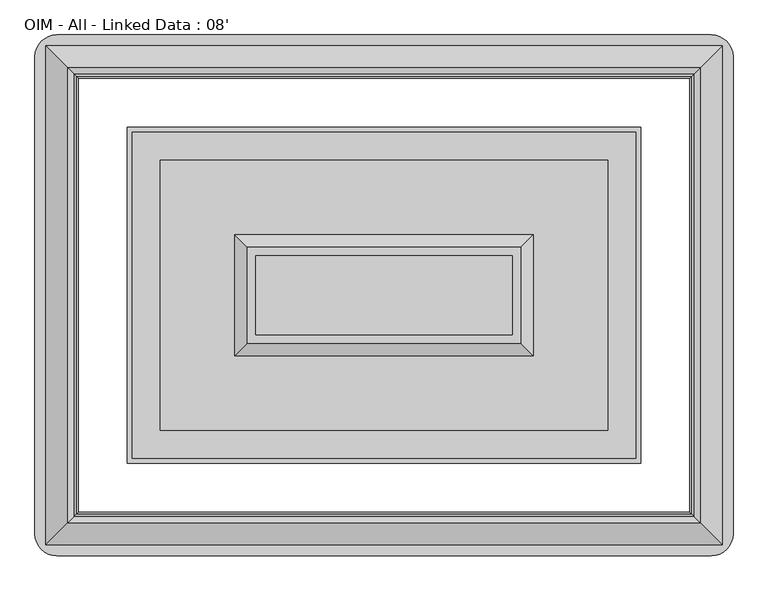
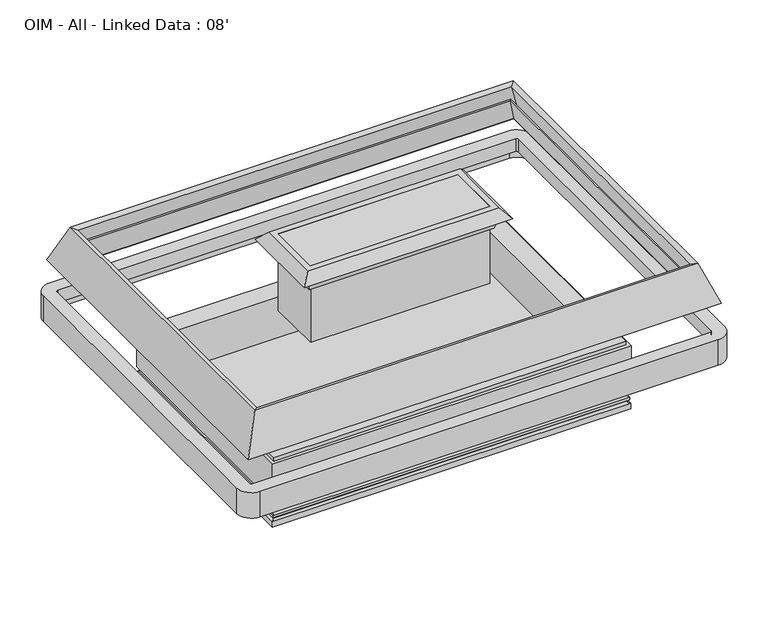
"""IFC4 building model written with IfcOpenShell, lengths in millimetres: proxy geometry, OIM - All - Linked Data : 08'."""

from ifc_helpers import new_model, si_unit, point, frame, frame_2d, origin, origin_with_axes, place, context, project, spatial, polyline, circle_curve, ellipse_curve, trimmed, segment, composite_curve, outline, extrude, faceted_brep, source, transform, mapped, element, save
from ifc_brep_helpers import plane_surface, cylinder_surface, revolved_surface, advanced_brep


def oim_all_linked_data_08_2732d2ef(model_context):
    return source(origin(), model_context, "Body", "SolidModel", [
        extrude(outline(composite_curve([segment(trimmed(circle_curve(frame_2d((2031.20625, -1313.8632439)), 12.7), [point((2018.50625, -1313.8632439))], [point((2043.90625, -1313.8632439))], False, "CARTESIAN"), True, "CONTINUOUS"), segment(trimmed(circle_curve(frame_2d((2031.20625, -1313.8632439)), 12.7), [point((2043.90625, -1313.8632439))], [point((2018.50625, -1313.8632439))], False, "CARTESIAN"), True, "CONTINUOUS")], self_intersect=False)), origin_with_axes(), (0.0, 0.0, 1.0), 101.6),
        extrude(outline(composite_curve([segment(trimmed(circle_curve(frame_2d((2031.20625, -1369.8367134)), 9.525), [point((2021.68125, -1369.8367134))], [point((2040.73125, -1369.8367134))], False, "CARTESIAN"), True, "CONTINUOUS"), segment(trimmed(circle_curve(frame_2d((2031.20625, -1369.8367134)), 9.525), [point((2040.73125, -1369.8367134))], [point((2021.68125, -1369.8367134))], False, "CARTESIAN"), True, "CONTINUOUS")], self_intersect=False)), origin_with_axes(), (0.0, 0.0, 1.0), 101.6),
        extrude(outline(composite_curve([segment(trimmed(circle_curve(frame_2d((1341.4375, -996.2223778)), 38.1), [point((1303.3375, -996.2223778))], [point((1379.5375, -996.2223778))], False, "CARTESIAN"), True, "CONTINUOUS"), segment(trimmed(circle_curve(frame_2d((1341.4375, -996.2223778)), 38.1), [point((1379.5375, -996.2223778))], [point((1303.3375, -996.2223778))], False, "CARTESIAN"), True, "CONTINUOUS")], self_intersect=False)), origin_with_axes(), (0.0, 0.0, 1.0), 101.6),
        extrude(outline(composite_curve([segment(trimmed(circle_curve(frame_2d((1341.4375, -1833.7510429)), 38.1), [point((1379.5375, -1833.7510429))], [point((1303.3375, -1833.7510429))], False, "CARTESIAN"), True, "CONTINUOUS"), segment(trimmed(circle_curve(frame_2d((1341.4375, -1833.7510429)), 38.1), [point((1303.3375, -1833.7510429))], [point((1379.5375, -1833.7510429))], False, "CARTESIAN"), True, "CONTINUOUS")], self_intersect=False)), origin_with_axes(), (0.0, 0.0, 1.0), 101.6),
        extrude(outline(polyline([(920.5432283, -1535.8952268), (1053.8932283, -1535.8952268), (1053.8932283, -1605.7452268), (920.5432283, -1605.7452268), (920.5432283, -1535.8952268)])), frame((0.0, 0.0, 8.2791794), z_axis=(0.0, 0.0, 1.0), x_axis=(1.0, 0.0, 0.0)), (0.0, 0.0, 1.0), 6.35),
        advanced_brep(
        [(2265.1803221, -819.2036052, 146.05), (417.6946779, -819.2036052, 146.05), (417.6946779, -2009.4642494, 146.05), (2265.1803221, -2009.4642494, 146.05), (2265.1803221, -819.2036052, 14.6291794), (2265.1803221, -2009.4642494, 14.6291794), (417.6946779, -2009.4642494, 14.6291794), (417.6946779, -819.2036052, 14.6291794), (1290.6375, -996.2223778, 14.6291794), (1392.2375, -996.2223778, 14.6291794), (1290.6375, -1833.7510429, 14.6291794), (1392.2375, -1833.7510429, 14.6291794), (1980.40625, -1338.1832677, 14.6291794), (2082.00625, -1338.1832677, 14.6291794), (1290.6375, -996.2223778, 101.6), (1392.2375, -996.2223778, 101.6), (1290.6375, -1833.7510429, 101.6), (1392.2375, -1833.7510429, 101.6), (1980.40625, -1338.1832677, 101.6), (2082.00625, -1338.1832677, 101.6)],
        [
            (0, 1),
            (1, 2),
            (2, 3),
            (3, 0),
            (4, 5),
            (5, 6),
            (6, 7),
            (7, 4),
            (8, 9, circle_curve(frame((1341.4375, -996.2223778, 14.6291794), z_axis=(0.0, 0.0, 1.0), x_axis=(1.0, 0.0, 0.0)), 50.8)),
            (9, 8, circle_curve(frame((1341.4375, -996.2223778, 14.6291794), z_axis=(0.0, 0.0, 1.0), x_axis=(1.0, 0.0, 0.0)), 50.8)),
            (10, 11, circle_curve(frame((1341.4375, -1833.7510429, 14.6291794), z_axis=(0.0, 0.0, 1.0), x_axis=(1.0, 0.0, 0.0)), 50.8)),
            (11, 10, circle_curve(frame((1341.4375, -1833.7510429, 14.6291794), z_axis=(0.0, 0.0, 1.0), x_axis=(1.0, 0.0, 0.0)), 50.8)),
            (12, 13, circle_curve(frame((2031.20625, -1338.1832677, 14.6291794), z_axis=(0.0, 0.0, 1.0), x_axis=(1.0, 0.0, 0.0)), 50.8)),
            (13, 12, circle_curve(frame((2031.20625, -1338.1832677, 14.6291794), z_axis=(0.0, 0.0, 1.0), x_axis=(1.0, 0.0, 0.0)), 50.8)),
            (0, 4),
            (7, 1),
            (6, 2),
            (5, 3),
            (14, 15, circle_curve(frame((1341.4375, -996.2223778, 101.6), z_axis=(0.0, 0.0, -1.0), x_axis=(1.0, 0.0, 0.0)), 50.8)),
            (15, 14, circle_curve(frame((1341.4375, -996.2223778, 101.6), z_axis=(0.0, 0.0, -1.0), x_axis=(1.0, 0.0, 0.0)), 50.8)),
            (16, 17, circle_curve(frame((1341.4375, -1833.7510429, 101.6), z_axis=(0.0, 0.0, -1.0), x_axis=(1.0, 0.0, 0.0)), 50.8)),
            (17, 16, circle_curve(frame((1341.4375, -1833.7510429, 101.6), z_axis=(0.0, 0.0, -1.0), x_axis=(1.0, 0.0, 0.0)), 50.8)),
            (15, 9),
            (8, 14),
            (17, 11),
            (10, 16),
            (18, 19, circle_curve(frame((2031.20625, -1338.1832677, 101.6), z_axis=(0.0, 0.0, -1.0), x_axis=(1.0, 0.0, 0.0)), 50.8)),
            (19, 18, circle_curve(frame((2031.20625, -1338.1832677, 101.6), z_axis=(0.0, 0.0, -1.0), x_axis=(1.0, 0.0, 0.0)), 50.8)),
            (19, 13),
            (12, 18),
        ],
        [
            plane_surface(frame((417.6946779, -819.2036052, 146.05), z_axis=(0.0, 0.0, 1.0), x_axis=(-1.0, 0.0, 0.0))),
            plane_surface(frame((417.6946779, -819.2036052, 14.6291794), z_axis=(0.0, 0.0, -1.0), x_axis=(1.0, 0.0, 0.0))),
            plane_surface(frame((2265.1803221, -819.2036052, 146.05), z_axis=(0.0, 1.0, 0.0), x_axis=(0.0, 0.0, -1.0))),
            plane_surface(frame((417.6946779, -819.2036052, 146.05), z_axis=(-1.0, 0.0, 0.0), x_axis=(0.0, 0.0, -1.0))),
            plane_surface(frame((417.6946779, -2009.4642494, 146.05), z_axis=(0.0, -1.0, 0.0), x_axis=(0.0, 0.0, -1.0))),
            plane_surface(frame((2265.1803221, -2009.4642494, 146.05), z_axis=(1.0, 0.0, 0.0), x_axis=(0.0, 0.0, -1.0))),
            plane_surface(frame((1392.2375, -996.2223778, 101.6), z_axis=(0.0, 0.0, -1.0), x_axis=(0.0, 1.0, 0.0))),
            revolved_surface(polyline([(1392.2375, -996.2223778, 101.6), (1392.2375, -996.2223778, 14.6291794)]), (1341.4375, -996.2223778, 0.0), (0.0, 0.0, 1.0)),
            revolved_surface(polyline([(1392.2375, -1833.7510429, 101.6), (1392.2375, -1833.7510429, 14.6291794)]), (1341.4375, -1833.7510429, 0.0), (0.0, 0.0, 1.0)),
            plane_surface(frame((2082.00625, -1338.1832677, 101.6), z_axis=(0.0, 0.0, -1.0), x_axis=(0.0, 1.0, 0.0))),
            revolved_surface(polyline([(2082.00625, -1338.1832677, 101.6), (2082.00625, -1338.1832677, 14.6291794)]), (2031.20625, -1338.1832677, 0.0), (0.0, 0.0, 1.0)),
        ],
        [
            (0, [[1, 2, 3, 4]]),
            (1, [[5, 6, 7, 8], [9, 10], [11, 12], [13, 14]]),
            (2, [[-1, 15, -8, 16]]),
            (3, [[-2, -16, -7, 17]]),
            (4, [[-3, -17, -6, 18]]),
            (5, [[-4, -18, -5, -15]]),
            (6, [[19, 20]]),
            (6, [[21, 22]]),
            (7, [[-20, 23, -9, 24]]),
            (7, [[-19, -24, -10, -23]]),
            (8, [[-22, 25, -11, 26]]),
            (8, [[-21, -26, -12, -25]]),
            (9, [[27, 28]]),
            (10, [[-28, 29, -13, 30]]),
            (10, [[-27, -30, -14, -29]]),
        ],
    ),
        advanced_brep(
        [(407.5864212, -2019.5725061, 52.2515752), (404.0973241, -2023.0616032, 41.0863151), (2278.7776759, -2023.0616032, 41.0863151), (2275.2885788, -2019.5725061, 52.2515752), (2285.9257741, -2030.2097014, 50.0937524), (396.9492259, -2030.2097014, 50.0937524), (394.9553259, -2032.2036014, 62.7937524), (394.9553259, -2032.2036014, 50.0937524), (2287.9196741, -2032.2036014, 50.0937524), (2287.9196741, -2032.2036014, 62.7937524), (2278.7776759, -2023.0616032, 72.0584982), (404.0973241, -2023.0616032, 72.0584982), (2275.2885788, -2019.5725061, 83.2237583), (407.5864212, -2019.5725061, 83.2237583), (2285.9257741, -2030.2097014, 81.0659355), (396.9492259, -2030.2097014, 81.0659355), (394.9553259, -2032.2036014, 93.7659355), (394.9553259, -2032.2036014, 81.0659355), (2287.9196741, -2032.2036014, 81.0659355), (2287.9196741, -2032.2036014, 93.7659355), (2278.7776759, -2023.0616032, 103.0306813), (404.0973241, -2023.0616032, 103.0306813), (2275.2885788, -2019.5725061, 114.0694894), (407.5864212, -2019.5725061, 114.0694894), (2285.9257741, -2030.2097014, 112.0383055), (396.9492259, -2030.2097014, 112.0383055), (394.9553259, -2032.2036014, 124.7383055), (394.9553259, -2032.2036014, 112.0383055), (2287.9196741, -2032.2036014, 112.0383055), (2287.9196741, -2032.2036014, 124.7383055), (2275.2885788, -2019.5725061, 137.4381186), (407.5864212, -2019.5725061, 137.4381186), (2275.2885788, -2019.5725061, 146.05), (407.5864212, -2019.5725061, 146.05), (417.6946779, -2009.4642494, 0.0), (417.6946779, -2009.4642494, 146.05), (2265.1803221, -2009.4642494, 146.05), (2265.1803221, -2009.4642494, 0.0), (392.0670212, -2035.0919061, 31.4790022), (392.0670212, -2035.0919061, 0.0), (2290.8079788, -2035.0919061, 0.0), (2290.8079788, -2035.0919061, 31.4790022), (2278.7776759, -805.6062514, 41.0863151), (2275.2885788, -809.0953485, 52.2515752), (2285.9257741, -798.4581532, 50.0937524), (2287.9196741, -796.4642532, 50.0937524), (2287.9196741, -796.4642532, 62.7937524), (2278.7776759, -805.6062514, 72.0584982), (2275.2885788, -809.0953485, 83.2237583), (2285.9257741, -798.4581532, 81.0659355), (2287.9196741, -796.4642532, 81.0659355), (2287.9196741, -796.4642532, 93.7659355), (2278.7776759, -805.6062514, 103.0306813), (2275.2885788, -809.0953485, 114.0694894), (2285.9257741, -798.4581532, 112.0383055), (2287.9196741, -796.4642532, 112.0383055), (2287.9196741, -796.4642532, 124.7383055), (2275.2885788, -809.0953485, 137.4381186), (2275.2885788, -809.0953485, 146.05), (2265.1803221, -819.2036052, 146.05), (2265.1803221, -819.2036052, 0.0), (2290.8079788, -793.5759485, 0.0), (2290.8079788, -793.5759485, 31.4790022), (404.0973241, -805.6062514, 41.0863151), (407.5864212, -809.0953485, 52.2515752), (396.9492259, -798.4581532, 50.0937524), (394.9553259, -796.4642532, 50.0937524), (394.9553259, -796.4642532, 62.7937524), (404.0973241, -805.6062514, 72.0584982), (407.5864212, -809.0953485, 83.2237583), (396.9492259, -798.4581532, 81.0659355), (394.9553259, -796.4642532, 81.0659355), (394.9553259, -796.4642532, 93.7659355), (404.0973241, -805.6062514, 103.0306813), (407.5864212, -809.0953485, 114.0694894), (396.9492259, -798.4581532, 112.0383055), (394.9553259, -796.4642532, 112.0383055), (394.9553259, -796.4642532, 124.7383055), (407.5864212, -809.0953485, 137.4381186), (407.5864212, -809.0953485, 146.05), (417.6946779, -819.2036052, 146.05), (417.6946779, -819.2036052, 0.0), (392.0670212, -793.5759485, 0.0), (392.0670212, -793.5759485, 31.4790022)],
        [
            (0, 1),
            (1, 2),
            (2, 3),
            (3, 0),
            (3, 4),
            (4, 5),
            (5, 0),
            (6, 7),
            (7, 8),
            (8, 9),
            (9, 6),
            (9, 10, ellipse_curve(frame((2291.1115131, -2035.3954404, 75.0861144), z_axis=(0.7071067811865475, 0.7071067811865475, 0.0), x_axis=(0.7071067811865476, -0.7071067811865474, 0.0)), 17.9605122, 12.7)),
            (10, 11),
            (11, 6, ellipse_curve(frame((391.7634869, -2035.3954404, 75.0861144), z_axis=(-0.7071067811865475, 0.7071067811865475, 0.0), x_axis=(0.7071067811865476, 0.7071067811865474, 0.0)), 17.9605122, 12.7)),
            (10, 12),
            (12, 13),
            (13, 11),
            (12, 14),
            (14, 15),
            (15, 13),
            (16, 17),
            (17, 18),
            (18, 19),
            (19, 16),
            (19, 20, ellipse_curve(frame((2291.1115131, -2035.3954404, 106.0582975), z_axis=(0.7071067811865475, 0.7071067811865475, 0.0), x_axis=(0.7071067811865476, -0.7071067811865474, 0.0)), 17.9605122, 12.7)),
            (20, 21),
            (21, 16, ellipse_curve(frame((391.7634869, -2035.3954404, 106.0582975), z_axis=(-0.7071067811865475, 0.7071067811865475, 0.0), x_axis=(0.7071067811865476, 0.7071067811865474, 0.0)), 17.9605122, 12.7)),
            (20, 22),
            (22, 23),
            (23, 21),
            (22, 24),
            (24, 25),
            (25, 23),
            (26, 27),
            (27, 28),
            (28, 29),
            (29, 26),
            (29, 30, ellipse_curve(frame((2287.9885788, -2032.2725061, 137.4381186), z_axis=(0.7071067811865475, 0.7071067811865475, 0.0), x_axis=(0.7071067811865476, -0.7071067811865474, 0.0)), 17.9605122, 12.7)),
            (30, 31),
            (31, 26, ellipse_curve(frame((394.8864212, -2032.2725061, 137.4381186), z_axis=(-0.7071067811865475, 0.7071067811865475, 0.0), x_axis=(0.7071067811865476, 0.7071067811865474, 0.0)), 17.9605122, 12.7)),
            (30, 32),
            (32, 33),
            (33, 31),
            (34, 35),
            (35, 36),
            (36, 37),
            (37, 34),
            (38, 39),
            (39, 40),
            (40, 41),
            (41, 38),
            (1, 38, ellipse_curve(frame((393.1207685, -2034.0381588, 42.4953422), z_axis=(-0.7071067811865475, 0.7071067811865475, 0.0), x_axis=(0.7071067811865476, 0.7071067811865474, 0.0)), 15.6505674, 11.0666223)),
            (41, 2, ellipse_curve(frame((2289.7542315, -2034.0381588, 42.4953422), z_axis=(0.7071067811865475, 0.7071067811865475, 0.0), x_axis=(0.7071067811865476, -0.7071067811865474, 0.0)), 15.6505674, 11.0666223)),
            (2, 42),
            (42, 43),
            (43, 3),
            (43, 44),
            (44, 4),
            (8, 45),
            (45, 46),
            (46, 9),
            (46, 47, ellipse_curve(frame((2291.1115131, -793.2724142, 75.0861144), z_axis=(-0.7071067811865475, 0.7071067811865475, 0.0), x_axis=(0.7071067811865474, 0.7071067811865476, 0.0)), 17.9605122, 12.7)),
            (47, 10),
            (47, 48),
            (48, 12),
            (48, 49),
            (49, 14),
            (18, 50),
            (50, 51),
            (51, 19),
            (51, 52, ellipse_curve(frame((2291.1115131, -793.2724142, 106.0582975), z_axis=(-0.7071067811865475, 0.7071067811865475, 0.0), x_axis=(0.7071067811865474, 0.7071067811865476, 0.0)), 17.9605122, 12.7)),
            (52, 20),
            (52, 53),
            (53, 22),
            (53, 54),
            (54, 24),
            (28, 55),
            (55, 56),
            (56, 29),
            (56, 57, ellipse_curve(frame((2287.9885788, -796.3953485, 137.4381186), z_axis=(-0.7071067811865475, 0.7071067811865475, 0.0), x_axis=(0.7071067811865474, 0.7071067811865476, 0.0)), 17.9605122, 12.7)),
            (57, 30),
            (57, 58),
            (58, 32),
            (36, 59),
            (59, 60),
            (60, 37),
            (40, 61),
            (61, 62),
            (62, 41),
            (62, 42, ellipse_curve(frame((2289.7542315, -794.6296958, 42.4953422), z_axis=(-0.7071067811865475, 0.7071067811865475, 0.0), x_axis=(0.7071067811865474, 0.7071067811865476, 0.0)), 15.6505674, 11.0666223)),
            (42, 63),
            (63, 64),
            (64, 43),
            (64, 65),
            (65, 44),
            (45, 66),
            (66, 67),
            (67, 46),
            (67, 68, ellipse_curve(frame((391.7634869, -793.2724142, 75.0861144), z_axis=(-0.7071067811865475, -0.7071067811865475, 0.0), x_axis=(-0.7071067811865476, 0.7071067811865474, 0.0)), 17.9605122, 12.7)),
            (68, 47),
            (68, 69),
            (69, 48),
            (69, 70),
            (70, 49),
            (50, 71),
            (71, 72),
            (72, 51),
            (72, 73, ellipse_curve(frame((391.7634869, -793.2724142, 106.0582975), z_axis=(-0.7071067811865475, -0.7071067811865475, 0.0), x_axis=(-0.7071067811865476, 0.7071067811865474, 0.0)), 17.9605122, 12.7)),
            (73, 52),
            (73, 74),
            (74, 53),
            (74, 75),
            (75, 54),
            (55, 76),
            (76, 77),
            (77, 56),
            (77, 78, ellipse_curve(frame((394.8864212, -796.3953485, 137.4381186), z_axis=(-0.7071067811865475, -0.7071067811865475, 0.0), x_axis=(-0.7071067811865476, 0.7071067811865474, 0.0)), 17.9605122, 12.7)),
            (78, 57),
            (78, 79),
            (79, 58),
            (59, 80),
            (80, 81),
            (81, 60),
            (61, 82),
            (82, 83),
            (83, 62),
            (83, 63, ellipse_curve(frame((393.1207685, -794.6296958, 42.4953422), z_axis=(-0.7071067811865475, -0.7071067811865475, 0.0), x_axis=(-0.7071067811865476, 0.7071067811865474, 0.0)), 15.6505674, 11.0666223)),
            (0, 64),
            (63, 1),
            (5, 65),
            (7, 66),
            (6, 67),
            (11, 68),
            (13, 69),
            (15, 70),
            (17, 71),
            (16, 72),
            (21, 73),
            (23, 74),
            (25, 75),
            (27, 76),
            (26, 77),
            (31, 78),
            (33, 79),
            (35, 80),
            (34, 81),
            (39, 82),
            (38, 83),
        ],
        [
            plane_surface(frame((404.0973241, -2023.0616032, 41.0863151), z_axis=(0.0, -0.9544811145040373, 0.2982713564107874), x_axis=(1.0, 0.0, 0.0))),
            plane_surface(frame((407.5864212, -2019.5725061, 52.2515752), z_axis=(0.0, 0.19880707887698196, -0.9800386448443763), x_axis=(1.0, 0.0, 0.0))),
            plane_surface(frame((394.9553259, -2032.2036014, 50.0937524), z_axis=(0.0, -1.0, 0.0), x_axis=(1.0, 0.0, 0.0))),
            revolved_surface(polyline([(2303.811513070204, -2022.6954404, 75.0861144), (379.0634869297963, -2022.6954404, 75.0861144)]), (0.0, -2035.3954404, 75.0861144), (1.0, 0.0, 0.0)),
            plane_surface(frame((404.0973241, -2023.0616032, 72.0584982), z_axis=(0.0, -0.9544811145041052, 0.2982713564105698), x_axis=(1.0, 0.0, 0.0))),
            plane_surface(frame((407.5864212, -2019.5725061, 83.2237583), z_axis=(0.0, 0.1988070788769928, -0.9800386448443741), x_axis=(1.0, 0.0, 0.0))),
            plane_surface(frame((394.9553259, -2032.2036014, 81.0659355), z_axis=(0.0, -1.0, 0.0), x_axis=(1.0, 0.0, 0.0))),
            revolved_surface(polyline([(2303.811513070204, -2022.6954404, 106.0582975), (379.0634869297963, -2022.6954404, 106.0582975)]), (0.0, -2035.3954404, 106.0582975), (1.0, 0.0, 0.0)),
            plane_surface(frame((404.0973241, -2023.0616032, 103.0306813), z_axis=(0.0, -0.9535043111328932, 0.30137937661855163), x_axis=(1.0, 0.0, 0.0))),
            plane_surface(frame((407.5864212, -2019.5725061, 114.0694894), z_axis=(0.0, 0.1875622155180167, -0.9822527247658686), x_axis=(1.0, 0.0, 0.0))),
            plane_surface(frame((394.9553259, -2032.2036014, 112.0383055), z_axis=(0.0, -1.0, 0.0), x_axis=(1.0, 0.0, 0.0))),
            revolved_surface(polyline([(2300.688578770204, -2019.5725061, 137.4381186), (382.1864212297963, -2019.5725061, 137.4381186)]), (0.0, -2032.2725061, 137.4381186), (1.0, 0.0, 0.0)),
            plane_surface(frame((407.5864212, -2019.5725061, 137.4381186), z_axis=(0.0, -1.0, 0.0), x_axis=(1.0, 0.0, 0.0))),
            plane_surface(frame((417.6946779, -2009.4642494, 146.05), z_axis=(0.0, 1.0, 0.0), x_axis=(1.0, 0.0, 0.0))),
            plane_surface(frame((392.0670212, -2035.0919061, 0.0), z_axis=(0.0, -1.0, 0.0), x_axis=(1.0, 0.0, 0.0))),
            revolved_surface(polyline([(2300.820853837957, -2022.9715365, 42.4953422), (382.05414616204285, -2022.9715365, 42.4953422)]), (0.0, -2034.0381588, 42.4953422), (1.0, 0.0, 0.0)),
            plane_surface(frame((2278.7776759, -2023.0616032, 41.0863151), z_axis=(0.9544811145040373, 0.0, 0.2982713564107874), x_axis=(0.0, 1.0, 0.0))),
            plane_surface(frame((2275.2885788, -2019.5725061, 52.2515752), z_axis=(-0.19880707887698196, 0.0, -0.9800386448443763), x_axis=(0.0, 1.0, 0.0))),
            plane_surface(frame((2287.9196741, -2032.2036014, 50.0937524), z_axis=(1.0, 0.0, 0.0), x_axis=(0.0, 1.0, 0.0))),
            revolved_surface(polyline([(2278.4115131000003, -780.5724142297963, 75.0861144), (2278.4115131000003, -2048.095440370204, 75.0861144)]), (2291.1115131, -2427.1589273, 75.0861144), (0.0, 1.0, 0.0)),
            plane_surface(frame((2278.7776759, -2023.0616032, 72.0584982), z_axis=(0.9544811145041052, 0.0, 0.2982713564105698), x_axis=(0.0, 1.0, 0.0))),
            plane_surface(frame((2275.2885788, -2019.5725061, 83.2237583), z_axis=(-0.1988070788769928, 0.0, -0.9800386448443741), x_axis=(0.0, 1.0, 0.0))),
            plane_surface(frame((2287.9196741, -2032.2036014, 81.0659355), z_axis=(1.0, 0.0, 0.0), x_axis=(0.0, 1.0, 0.0))),
            revolved_surface(polyline([(2278.4115131000003, -780.5724142297963, 106.0582975), (2278.4115131000003, -2048.095440370204, 106.0582975)]), (2291.1115131, -2427.1589273, 106.0582975), (0.0, 1.0, 0.0)),
            plane_surface(frame((2278.7776759, -2023.0616032, 103.0306813), z_axis=(0.9535043111328932, 0.0, 0.30137937661855163), x_axis=(0.0, 1.0, 0.0))),
            plane_surface(frame((2275.2885788, -2019.5725061, 114.0694894), z_axis=(-0.1875622155180167, 0.0, -0.9822527247658686), x_axis=(0.0, 1.0, 0.0))),
            plane_surface(frame((2287.9196741, -2032.2036014, 112.0383055), z_axis=(1.0, 0.0, 0.0), x_axis=(0.0, 1.0, 0.0))),
            revolved_surface(polyline([(2275.2885788000003, -783.6953485297963, 137.4381186), (2275.2885788000003, -2044.9725060702037, 137.4381186)]), (2287.9885788, -2427.1589273, 137.4381186), (0.0, 1.0, 0.0)),
            plane_surface(frame((2275.2885788, -2019.5725061, 137.4381186), z_axis=(1.0, 0.0, 0.0), x_axis=(0.0, 1.0, 0.0))),
            plane_surface(frame((2265.1803221, -2009.4642494, 146.05), z_axis=(-1.0, 0.0, 0.0), x_axis=(0.0, 1.0, 0.0))),
            plane_surface(frame((2290.8079788, -2035.0919061, 0.0), z_axis=(1.0, 0.0, 0.0), x_axis=(0.0, 1.0, 0.0))),
            revolved_surface(polyline([(2278.6876092, -783.5630734620429, 42.4953422), (2278.6876092, -2045.1047811379572, 42.4953422)]), (2289.7542315, -2427.1589273, 42.4953422), (0.0, 1.0, 0.0)),
            plane_surface(frame((2278.7776759, -805.6062514, 41.0863151), z_axis=(0.0, 0.9544811145040373, 0.2982713564107874), x_axis=(-1.0, 0.0, 0.0))),
            plane_surface(frame((2275.2885788, -809.0953485, 52.2515752), z_axis=(0.0, -0.19880707887698196, -0.9800386448443763), x_axis=(-1.0, 0.0, 0.0))),
            plane_surface(frame((2287.9196741, -796.4642532, 50.0937524), z_axis=(0.0, 1.0, 0.0), x_axis=(-1.0, 0.0, 0.0))),
            revolved_surface(polyline([(379.063486929796, -805.9724142, 75.0861144), (2303.811513070204, -805.9724142, 75.0861144)]), (2682.875, -793.2724142, 75.0861144), (-1.0, 0.0, 0.0)),
            plane_surface(frame((2278.7776759, -805.6062514, 72.0584982), z_axis=(0.0, 0.9544811145041052, 0.2982713564105698), x_axis=(-1.0, 0.0, 0.0))),
            plane_surface(frame((2275.2885788, -809.0953485, 83.2237583), z_axis=(0.0, -0.1988070788769928, -0.9800386448443741), x_axis=(-1.0, 0.0, 0.0))),
            plane_surface(frame((2287.9196741, -796.4642532, 81.0659355), z_axis=(0.0, 1.0, 0.0), x_axis=(-1.0, 0.0, 0.0))),
            revolved_surface(polyline([(379.063486929796, -805.9724142, 106.0582975), (2303.811513070204, -805.9724142, 106.0582975)]), (2682.875, -793.2724142, 106.0582975), (-1.0, 0.0, 0.0)),
            plane_surface(frame((2278.7776759, -805.6062514, 103.0306813), z_axis=(0.0, 0.9535043111328932, 0.30137937661855163), x_axis=(-1.0, 0.0, 0.0))),
            plane_surface(frame((2275.2885788, -809.0953485, 114.0694894), z_axis=(0.0, -0.1875622155180167, -0.9822527247658686), x_axis=(-1.0, 0.0, 0.0))),
            plane_surface(frame((2287.9196741, -796.4642532, 112.0383055), z_axis=(0.0, 1.0, 0.0), x_axis=(-1.0, 0.0, 0.0))),
            revolved_surface(polyline([(382.186421229796, -809.0953485, 137.4381186), (2300.688578770204, -809.0953485, 137.4381186)]), (2682.875, -796.3953485, 137.4381186), (-1.0, 0.0, 0.0)),
            plane_surface(frame((2275.2885788, -809.0953485, 137.4381186), z_axis=(0.0, 1.0, 0.0), x_axis=(-1.0, 0.0, 0.0))),
            plane_surface(frame((2265.1803221, -819.2036052, 146.05), z_axis=(0.0, -1.0, 0.0), x_axis=(-1.0, 0.0, 0.0))),
            plane_surface(frame((2290.8079788, -793.5759485, 0.0), z_axis=(0.0, 1.0, 0.0), x_axis=(-1.0, 0.0, 0.0))),
            revolved_surface(polyline([(382.0541461620428, -805.6963181, 42.4953422), (2300.820853837957, -805.6963181, 42.4953422)]), (2682.875, -794.6296958, 42.4953422), (-1.0, 0.0, 0.0)),
            plane_surface(frame((404.0973241, -805.6062514, 41.0863151), z_axis=(-0.9544811145040373, 0.0, 0.2982713564107874), x_axis=(0.0, -1.0, 0.0))),
            plane_surface(frame((407.5864212, -809.0953485, 52.2515752), z_axis=(0.19880707887698196, 0.0, -0.9800386448443763), x_axis=(0.0, -1.0, 0.0))),
            plane_surface(frame((396.9492259, -798.4581532, 50.0937524), z_axis=(0.0, 0.0, -1.0), x_axis=(0.0, -1.0, 0.0))),
            plane_surface(frame((394.9553259, -796.4642532, 50.0937524), z_axis=(-1.0, 0.0, 0.0), x_axis=(0.0, -1.0, 0.0))),
            revolved_surface(polyline([(404.46348689999996, -2048.095440370204, 75.0861144), (404.46348689999996, -780.5724142297963, 75.0861144)]), (391.7634869, -401.5089273, 75.0861144), (0.0, -1.0, 0.0)),
            plane_surface(frame((404.0973241, -805.6062514, 72.0584982), z_axis=(-0.9544811145041052, 0.0, 0.2982713564105698), x_axis=(0.0, -1.0, 0.0))),
            plane_surface(frame((407.5864212, -809.0953485, 83.2237583), z_axis=(0.1988070788769928, 0.0, -0.9800386448443741), x_axis=(0.0, -1.0, 0.0))),
            plane_surface(frame((396.9492259, -798.4581532, 81.0659355), z_axis=(0.0, 0.0, -1.0), x_axis=(0.0, -1.0, 0.0))),
            plane_surface(frame((394.9553259, -796.4642532, 81.0659355), z_axis=(-1.0, 0.0, 0.0), x_axis=(0.0, -1.0, 0.0))),
            revolved_surface(polyline([(404.46348689999996, -2048.095440370204, 106.0582975), (404.46348689999996, -780.5724142297963, 106.0582975)]), (391.7634869, -401.5089273, 106.0582975), (0.0, -1.0, 0.0)),
            plane_surface(frame((404.0973241, -805.6062514, 103.0306813), z_axis=(-0.9535043111328932, 0.0, 0.30137937661855163), x_axis=(0.0, -1.0, 0.0))),
            plane_surface(frame((407.5864212, -809.0953485, 114.0694894), z_axis=(0.1875622155180167, 0.0, -0.9822527247658686), x_axis=(0.0, -1.0, 0.0))),
            plane_surface(frame((396.9492259, -798.4581532, 112.0383055), z_axis=(0.0, 0.0, -1.0), x_axis=(0.0, -1.0, 0.0))),
            plane_surface(frame((394.9553259, -796.4642532, 112.0383055), z_axis=(-1.0, 0.0, 0.0), x_axis=(0.0, -1.0, 0.0))),
            revolved_surface(polyline([(407.58642119999996, -2044.972506070204, 137.4381186), (407.58642119999996, -783.6953485297963, 137.4381186)]), (394.8864212, -401.5089273, 137.4381186), (0.0, -1.0, 0.0)),
            plane_surface(frame((407.5864212, -809.0953485, 137.4381186), z_axis=(-1.0, 0.0, 0.0), x_axis=(0.0, -1.0, 0.0))),
            plane_surface(frame((407.5864212, -809.0953485, 146.05), z_axis=(0.0, 0.0, 1.0), x_axis=(0.0, -1.0, 0.0))),
            plane_surface(frame((417.6946779, -819.2036052, 146.05), z_axis=(1.0, 0.0, 0.0), x_axis=(0.0, -1.0, 0.0))),
            plane_surface(frame((417.6946779, -819.2036052, 0.0), z_axis=(0.0, 0.0, -1.0), x_axis=(0.0, -1.0, 0.0))),
            plane_surface(frame((392.0670212, -793.5759485, 0.0), z_axis=(-1.0, 0.0, 0.0), x_axis=(0.0, -1.0, 0.0))),
            revolved_surface(polyline([(404.1873908, -2045.1047811379572, 42.4953422), (404.1873908, -783.5630734620429, 42.4953422)]), (393.1207685, -401.5089273, 42.4953422), (0.0, -1.0, 0.0)),
        ],
        [
            (0, [[1, 2, 3, 4]]),
            (1, [[-4, 5, 6, 7]]),
            (2, [[8, 9, 10, 11]]),
            (3, [[-11, 12, 13, 14]]),
            (4, [[-13, 15, 16, 17]]),
            (5, [[-16, 18, 19, 20]]),
            (6, [[21, 22, 23, 24]]),
            (7, [[-24, 25, 26, 27]]),
            (8, [[-26, 28, 29, 30]]),
            (9, [[-29, 31, 32, 33]]),
            (10, [[34, 35, 36, 37]]),
            (11, [[-37, 38, 39, 40]]),
            (12, [[-39, 41, 42, 43]]),
            (13, [[44, 45, 46, 47]]),
            (14, [[48, 49, 50, 51]]),
            (15, [[-2, 52, -51, 53]]),
            (16, [[-3, 54, 55, 56]]),
            (17, [[-5, -56, 57, 58]]),
            (18, [[-10, 59, 60, 61]]),
            (19, [[-12, -61, 62, 63]]),
            (20, [[-15, -63, 64, 65]]),
            (21, [[-18, -65, 66, 67]]),
            (22, [[-23, 68, 69, 70]]),
            (23, [[-25, -70, 71, 72]]),
            (24, [[-28, -72, 73, 74]]),
            (25, [[-31, -74, 75, 76]]),
            (26, [[-36, 77, 78, 79]]),
            (27, [[-38, -79, 80, 81]]),
            (28, [[-41, -81, 82, 83]]),
            (29, [[-46, 84, 85, 86]]),
            (30, [[-50, 87, 88, 89]]),
            (31, [[-53, -89, 90, -54]]),
            (32, [[-55, 91, 92, 93]]),
            (33, [[-57, -93, 94, 95]]),
            (34, [[-60, 96, 97, 98]]),
            (35, [[-62, -98, 99, 100]]),
            (36, [[-64, -100, 101, 102]]),
            (37, [[-66, -102, 103, 104]]),
            (38, [[-69, 105, 106, 107]]),
            (39, [[-71, -107, 108, 109]]),
            (40, [[-73, -109, 110, 111]]),
            (41, [[-75, -111, 112, 113]]),
            (42, [[-78, 114, 115, 116]]),
            (43, [[-80, -116, 117, 118]]),
            (44, [[-82, -118, 119, 120]]),
            (45, [[-85, 121, 122, 123]]),
            (46, [[-88, 124, 125, 126]]),
            (47, [[-90, -126, 127, -91]]),
            (48, [[-1, 128, -92, 129]]),
            (49, [[-7, 130, -94, -128]]),
            (50, [[-9, 131, -96, -59], [-6, -58, -95, -130]]),
            (51, [[-8, 132, -97, -131]]),
            (52, [[-14, 133, -99, -132]]),
            (53, [[-17, 134, -101, -133]]),
            (54, [[-20, 135, -103, -134]]),
            (55, [[-22, 136, -105, -68], [-19, -67, -104, -135]]),
            (56, [[-21, 137, -106, -136]]),
            (57, [[-27, 138, -108, -137]]),
            (58, [[-30, 139, -110, -138]]),
            (59, [[-33, 140, -112, -139]]),
            (60, [[-35, 141, -114, -77], [-32, -76, -113, -140]]),
            (61, [[-34, 142, -115, -141]]),
            (62, [[-40, 143, -117, -142]]),
            (63, [[-43, 144, -119, -143]]),
            (64, [[-42, -83, -120, -144], [-45, 145, -121, -84]]),
            (65, [[-44, 146, -122, -145]]),
            (66, [[-49, 147, -124, -87], [-47, -86, -123, -146]]),
            (67, [[-48, 148, -125, -147]]),
            (68, [[-52, -129, -127, -148]]),
        ],
    ),
        faceted_brep([(192.6265401, -2234.5323872, 861.5557008), (113.310676, -2313.8482513, 659.9033799), (113.310676, -514.8196033, 659.9033799), (192.6265401, -594.1354674, 861.5557008), (167.6182569, -2259.5406704, 871.4067245), (167.6182569, -569.1271842, 871.4067245), (88.2010315, -2338.9578958, 669.7943308), (88.2010315, -489.7099588, 669.7943308), (2569.564324, -514.8196033, 659.9033799), (2490.2484599, -594.1354674, 861.5557008), (2515.2567431, -569.1271842, 871.4067245), (2594.6739685, -489.7099588, 669.7943308), (2569.564324, -2313.8482513, 659.9033799), (2490.2484599, -2234.5323872, 861.5557008), (2515.2567431, -2259.5406704, 871.4067245), (2594.6739685, -2338.9578958, 669.7943308)], [[[0, 1, 2, 3]], [[4, 0, 3, 5]], [[6, 4, 5, 7]], [[1, 6, 7, 2]], [[3, 2, 8, 9]], [[5, 3, 9, 10]], [[7, 5, 10, 11]], [[2, 7, 11, 8]], [[9, 8, 12, 13]], [[10, 9, 13, 14]], [[11, 10, 14, 15]], [[8, 11, 15, 12]], [[13, 12, 1, 0]], [[14, 13, 0, 4]], [[15, 14, 4, 6]], [[12, 15, 6, 1]]]),
        faceted_brep([(209.7758908, -2217.3830365, 799.3299339), (163.0942322, -2264.0646951, 654.252772), (163.0942322, -564.6031595, 654.252772), (209.7758908, -611.2848181, 799.3299339), (203.7209854, -2223.4379419, 801.2432088), (203.7209854, -605.2299127, 801.2432088), (157.0393268, -2270.1196005, 656.1660469), (157.0393268, -558.5482541, 656.1660469), (156.6994979, -2270.4594294, 652.4421919), (156.6994979, -558.2084252, 652.4421919), (163.3294714, -2263.8294559, 652.4421919), (163.3294714, -564.8383987, 652.4421919), (2519.7807678, -564.6031595, 654.252772), (2473.0991092, -611.2848181, 799.3299339), (2479.1540146, -605.2299127, 801.2432088), (2525.8356732, -558.5482541, 656.1660469), (2526.1755021, -558.2084252, 652.4421919), (2519.5455286, -564.8383987, 652.4421919), (2519.7807678, -2264.0646951, 654.252772), (2473.0991092, -2217.3830365, 799.3299339), (2479.1540146, -2223.4379419, 801.2432088), (2525.8356732, -2270.1196005, 656.1660469), (2526.1755021, -2270.4594294, 652.4421919), (2519.5455286, -2263.8294559, 652.4421919)], [[[0, 1, 2, 3]], [[4, 0, 3, 5]], [[6, 4, 5, 7]], [[8, 6, 7, 9]], [[1, 10, 11, 2]], [[3, 2, 12, 13]], [[5, 3, 13, 14]], [[7, 5, 14, 15]], [[9, 7, 15, 16]], [[2, 11, 17, 12]], [[13, 12, 18, 19]], [[14, 13, 19, 20]], [[15, 14, 20, 21]], [[16, 15, 21, 22]], [[12, 17, 23, 18]], [[19, 18, 1, 0]], [[20, 19, 0, 4]], [[21, 20, 4, 6]], [[22, 21, 6, 8]], [[9, 16, 22, 8], [10, 23, 17, 11]], [[18, 23, 10, 1]]]),
        extrude(outline(polyline([(1816.2647942, -1268.1191331), (1816.2647942, -1560.5487215), (866.6102058, -1560.5487215), (866.6102058, -1268.1191331), (1816.2647942, -1268.1191331)])), frame((0.0, 0.0, 898.7221611), z_axis=(0.0, 0.0, 1.0), x_axis=(1.0, 0.0, 0.0)), (0.0, 0.0, 1.0), 114.1028389),
        extrude(outline(polyline([(866.6102058, -1268.1191331), (1816.2647942, -1268.1191331), (1816.2647942, -1562.3137157), (866.6102058, -1562.3137157), (866.6102058, -1268.1191331)])), frame((0.0, 0.0, 583.240307), z_axis=(0.0, 0.0, 1.0), x_axis=(1.0, 0.0, 0.0)), (0.0, 0.0, 1.0), 315.481854),
        advanced_brep(
        [(63.1003627, -2298.62165, 395.026718), (63.1003627, -2298.62165, 359.085718), (63.1003627, -530.0462046, 359.085718), (63.1003627, -530.0462046, 395.026718), (67.0998531, -2298.62165, 418.2709148), (67.0998531, -530.0462046, 418.2709148), (120.2577792, -2298.62165, 431.9506037), (120.2577792, -530.0462046, 431.9506037), (48.3683627, -2298.62165, 359.085718), (48.3683627, -2298.62165, 502.405218), (48.3683627, -530.0462046, 502.405218), (48.3683627, -530.0462046, 359.085718), (128.5372773, -464.60929, 395.026718), (128.5372773, -464.60929, 359.085718), (2554.3377227, -464.60929, 359.085718), (2554.3377227, -464.60929, 395.026718), (128.5372773, -468.6087804, 418.2709148), (2554.3377227, -468.6087804, 418.2709148), (128.5372773, -521.7667065, 431.9506037), (2554.3377227, -521.7667065, 431.9506037), (128.5372773, -449.87729, 359.085718), (128.5372773, -449.87729, 502.405218), (2554.3377227, -449.87729, 502.405218), (2554.3377227, -449.87729, 359.085718), (2619.7746373, -530.0462046, 395.026718), (2619.7746373, -530.0462046, 359.085718), (2619.7746373, -2298.62165, 359.085718), (2619.7746373, -2298.62165, 395.026718), (2615.7751469, -530.0462046, 418.2709148), (2615.7751469, -2298.62165, 418.2709148), (2562.6172208, -530.0462046, 431.9506037), (2562.6172208, -2298.62165, 431.9506037), (2634.5066373, -530.0462046, 359.085718), (2634.5066373, -530.0462046, 502.405218), (2634.5066373, -2298.62165, 502.405218), (2634.5066373, -2298.62165, 359.085718), (2554.3377227, -2364.0585646, 395.026718), (2554.3377227, -2364.0585646, 359.085718), (128.5372773, -2364.0585646, 359.085718), (128.5372773, -2364.0585646, 395.026718), (2554.3377227, -2360.0590742, 418.2709148), (128.5372773, -2360.0590742, 418.2709148), (2554.3377227, -2306.9011481, 431.9506037), (128.5372773, -2306.9011481, 431.9506037), (2554.3377227, -2378.7905646, 359.085718), (2554.3377227, -2378.7905646, 502.405218), (128.5372773, -2378.7905646, 502.405218), (128.5372773, -2378.7905646, 359.085718), (120.2577792, -2298.62165, 502.405218), (128.5372773, -2306.9011481, 502.405218), (120.2577792, -530.0462046, 502.405218), (128.5372773, -521.7667065, 502.405218), (2554.3377227, -521.7667065, 502.405218), (2562.6172208, -530.0462046, 502.405218), (2562.6172208, -2298.62165, 502.405218), (2554.3377227, -2306.9011481, 502.405218)],
        [
            (0, 1),
            (1, 2),
            (2, 3),
            (3, 0),
            (4, 0),
            (3, 5),
            (5, 4),
            (6, 4),
            (5, 7),
            (7, 6),
            (8, 9),
            (9, 10),
            (10, 11),
            (11, 8),
            (12, 13),
            (13, 14),
            (14, 15),
            (15, 12),
            (16, 12),
            (15, 17),
            (17, 16),
            (18, 16),
            (17, 19),
            (19, 18),
            (20, 21),
            (21, 22),
            (22, 23),
            (23, 20),
            (24, 25),
            (25, 26),
            (26, 27),
            (27, 24),
            (28, 24),
            (27, 29),
            (29, 28),
            (30, 28),
            (29, 31),
            (31, 30),
            (32, 33),
            (33, 34),
            (34, 35),
            (35, 32),
            (36, 37),
            (37, 38),
            (38, 39),
            (39, 36),
            (40, 36),
            (39, 41),
            (41, 40),
            (42, 40),
            (41, 43),
            (43, 42),
            (44, 45),
            (45, 46),
            (46, 47),
            (47, 44),
            (0, 39, circle_curve(frame((128.5372773, -2298.62165, 395.026718), z_axis=(0.0, 0.0, 1.0), x_axis=(0.0, -1.0, 0.0)), 65.4369146)),
            (38, 1, circle_curve(frame((128.5372773, -2298.62165, 359.085718), z_axis=(0.0, 0.0, -1.0), x_axis=(0.0, -1.0, 0.0)), 65.4369146)),
            (4, 41, circle_curve(frame((128.5372773, -2298.62165, 418.2709148), z_axis=(0.0, 0.0, 1.0), x_axis=(0.0, -1.0, 0.0)), 61.4374242)),
            (6, 43, circle_curve(frame((128.5372773, -2298.62165, 431.9506037), z_axis=(0.0, 0.0, 1.0), x_axis=(0.0, -1.0, 0.0)), 8.2794981)),
            (48, 49, circle_curve(frame((128.5372773, -2298.62165, 502.405218), z_axis=(0.0, 0.0, 1.0), x_axis=(0.0, -1.0, 0.0)), 8.2794981)),
            (49, 43),
            (6, 48),
            (8, 47, circle_curve(frame((128.5372773, -2298.62165, 359.085718), z_axis=(0.0, 0.0, 1.0), x_axis=(0.0, -1.0, 0.0)), 80.1689146)),
            (46, 9, circle_curve(frame((128.5372773, -2298.62165, 502.405218), z_axis=(0.0, 0.0, -1.0), x_axis=(0.0, -1.0, 0.0)), 80.1689146)),
            (7, 50),
            (50, 48),
            (12, 3, circle_curve(frame((128.5372773, -530.0462046, 395.026718), z_axis=(0.0, 0.0, 1.0), x_axis=(-1.0, 0.0, 0.0)), 65.4369146)),
            (2, 13, circle_curve(frame((128.5372773, -530.0462046, 359.085718), z_axis=(0.0, 0.0, -1.0), x_axis=(-1.0, 0.0, 0.0)), 65.4369146)),
            (16, 5, circle_curve(frame((128.5372773, -530.0462046, 418.2709148), z_axis=(0.0, 0.0, 1.0), x_axis=(-1.0, 0.0, 0.0)), 61.4374242)),
            (18, 7, circle_curve(frame((128.5372773, -530.0462046, 431.9506037), z_axis=(0.0, 0.0, 1.0), x_axis=(-1.0, 0.0, 0.0)), 8.2794981)),
            (51, 50, circle_curve(frame((128.5372773, -530.0462046, 502.405218), z_axis=(0.0, 0.0, 1.0), x_axis=(-1.0, 0.0, 0.0)), 8.2794981)),
            (18, 51),
            (20, 11, circle_curve(frame((128.5372773, -530.0462046, 359.085718), z_axis=(0.0, 0.0, 1.0), x_axis=(-1.0, 0.0, 0.0)), 80.1689146)),
            (10, 21, circle_curve(frame((128.5372773, -530.0462046, 502.405218), z_axis=(0.0, 0.0, -1.0), x_axis=(-1.0, 0.0, 0.0)), 80.1689146)),
            (19, 52),
            (52, 51),
            (24, 15, circle_curve(frame((2554.3377227, -530.0462046, 395.026718), z_axis=(0.0, 0.0, 1.0), x_axis=(0.0, 1.0, 0.0)), 65.4369146)),
            (14, 25, circle_curve(frame((2554.3377227, -530.0462046, 359.085718), z_axis=(0.0, 0.0, -1.0), x_axis=(0.0, 1.0, 0.0)), 65.4369146)),
            (28, 17, circle_curve(frame((2554.3377227, -530.0462046, 418.2709148), z_axis=(0.0, 0.0, 1.0), x_axis=(0.0, 1.0, 0.0)), 61.4374242)),
            (30, 19, circle_curve(frame((2554.3377227, -530.0462046, 431.9506037), z_axis=(0.0, 0.0, 1.0), x_axis=(0.0, 1.0, 0.0)), 8.2794981)),
            (53, 52, circle_curve(frame((2554.3377227, -530.0462046, 502.405218), z_axis=(0.0, 0.0, 1.0), x_axis=(0.0, 1.0, 0.0)), 8.2794981)),
            (30, 53),
            (32, 23, circle_curve(frame((2554.3377227, -530.0462046, 359.085718), z_axis=(0.0, 0.0, 1.0), x_axis=(0.0, 1.0, 0.0)), 80.1689146)),
            (22, 33, circle_curve(frame((2554.3377227, -530.0462046, 502.405218), z_axis=(0.0, 0.0, -1.0), x_axis=(0.0, 1.0, 0.0)), 80.1689146)),
            (31, 54),
            (54, 53),
            (35, 44, circle_curve(frame((2554.3377227, -2298.62165, 359.085718), z_axis=(0.0, 0.0, -1.0), x_axis=(1.0, 0.0, 0.0)), 80.1689146)),
            (37, 26, circle_curve(frame((2554.3377227, -2298.62165, 359.085718), z_axis=(0.0, 0.0, 1.0), x_axis=(1.0, 0.0, 0.0)), 65.4369146)),
            (36, 27, circle_curve(frame((2554.3377227, -2298.62165, 395.026718), z_axis=(0.0, 0.0, 1.0), x_axis=(1.0, 0.0, 0.0)), 65.4369146)),
            (40, 29, circle_curve(frame((2554.3377227, -2298.62165, 418.2709148), z_axis=(0.0, 0.0, 1.0), x_axis=(1.0, 0.0, 0.0)), 61.4374242)),
            (42, 31, circle_curve(frame((2554.3377227, -2298.62165, 431.9506037), z_axis=(0.0, 0.0, 1.0), x_axis=(1.0, 0.0, 0.0)), 8.2794981)),
            (55, 54, circle_curve(frame((2554.3377227, -2298.62165, 502.405218), z_axis=(0.0, 0.0, 1.0), x_axis=(1.0, 0.0, 0.0)), 8.2794981)),
            (42, 55),
            (45, 34, circle_curve(frame((2554.3377227, -2298.62165, 502.405218), z_axis=(0.0, 0.0, 1.0), x_axis=(1.0, 0.0, 0.0)), 80.1689146)),
            (55, 49),
        ],
        [
            plane_surface(frame((63.1003627, -2298.62165, 359.085718), z_axis=(1.0, 0.0, 0.0), x_axis=(0.0, 1.0, 0.0))),
            plane_surface(frame((63.1003627, -2298.62165, 395.026718), z_axis=(0.98551777255733, 0.0, -0.1695721674498468), x_axis=(0.0, 1.0, 0.0))),
            plane_surface(frame((67.0998531, -2298.62165, 418.2709148), z_axis=(0.2492205971057772, 0.0, -0.9684467429746666), x_axis=(0.0, 1.0, 0.0))),
            plane_surface(frame((48.3683627, -2298.62165, 502.405218), z_axis=(-1.0, 0.0, 0.0), x_axis=(0.0, 1.0, 0.0))),
            plane_surface(frame((128.5372773, -464.60929, 359.085718), z_axis=(0.0, -1.0, 0.0), x_axis=(1.0, 0.0, 0.0))),
            plane_surface(frame((128.5372773, -464.60929, 395.026718), z_axis=(0.0, -0.98551777255733, -0.1695721674498468), x_axis=(1.0, 0.0, 0.0))),
            plane_surface(frame((128.5372773, -468.6087804, 418.2709148), z_axis=(0.0, -0.2492205971057772, -0.9684467429746666), x_axis=(1.0, 0.0, 0.0))),
            plane_surface(frame((128.5372773, -449.87729, 502.405218), z_axis=(0.0, 1.0, 0.0), x_axis=(1.0, 0.0, 0.0))),
            plane_surface(frame((2619.7746373, -530.0462046, 359.085718), z_axis=(-1.0, 0.0, 0.0), x_axis=(0.0, -1.0, 0.0))),
            plane_surface(frame((2619.7746373, -530.0462046, 395.026718), z_axis=(-0.98551777255733, 0.0, -0.1695721674498468), x_axis=(0.0, -1.0, 0.0))),
            plane_surface(frame((2615.7751469, -530.0462046, 418.2709148), z_axis=(-0.2492205971057772, 0.0, -0.9684467429746666), x_axis=(0.0, -1.0, 0.0))),
            plane_surface(frame((2634.5066373, -530.0462046, 502.405218), z_axis=(1.0, 0.0, 0.0), x_axis=(0.0, -1.0, 0.0))),
            plane_surface(frame((2554.3377227, -2364.0585646, 359.085718), z_axis=(0.0, 1.0, 0.0), x_axis=(-1.0, 0.0, 0.0))),
            plane_surface(frame((2554.3377227, -2364.0585646, 395.026718), z_axis=(0.0, 0.98551777255733, -0.1695721674498468), x_axis=(-1.0, 0.0, 0.0))),
            plane_surface(frame((2554.3377227, -2360.0590742, 418.2709148), z_axis=(0.0, 0.2492205971057772, -0.9684467429746666), x_axis=(-1.0, 0.0, 0.0))),
            plane_surface(frame((2554.3377227, -2378.7905646, 502.405218), z_axis=(0.0, -1.0, 0.0), x_axis=(-1.0, 0.0, 0.0))),
            revolved_surface(polyline([(128.5372773, -2364.0585646, 359.085718), (128.5372773, -2364.0585646, 395.026718)]), (128.5372773, -2298.62165, 0.0), (0.0, 0.0, -1.0)),
            revolved_surface(polyline([(128.5372773, -2364.0585646, 395.026718), (128.5372773, -2360.0590742, 418.2709148)]), (128.5372773, -2298.62165, 0.0), (0.0, 0.0, -1.0)),
            revolved_surface(polyline([(128.5372773, -2360.0590742, 418.2709148), (128.5372773, -2306.9011481, 431.9506037)]), (128.5372773, -2298.62165, 0.0), (0.0, 0.0, -1.0)),
            revolved_surface(polyline([(128.5372773, -2306.9011481000002, 431.9506037), (128.5372773, -2306.9011481000002, 502.405218)]), (128.5372773, -2298.62165, 0.0), (0.0, 0.0, -1.0)),
            cylinder_surface(frame((128.5372773, -2298.62165, 0.0), z_axis=(0.0, 0.0, -1.0), x_axis=(0.0, -1.0, 0.0)), 80.1689146),
            plane_surface(frame((120.2577792, -2298.62165, 431.9506037), z_axis=(1.0, 0.0, 0.0), x_axis=(0.0, 1.0, 0.0))),
            revolved_surface(polyline([(63.100362700000005, -530.0462046, 359.085718), (63.100362700000005, -530.0462046, 395.026718)]), (128.5372773, -530.0462046, 0.0), (0.0, 0.0, -1.0)),
            revolved_surface(polyline([(63.1003627, -530.0462046, 395.026718), (67.0998531, -530.0462046, 418.2709148)]), (128.5372773, -530.0462046, 0.0), (0.0, 0.0, -1.0)),
            revolved_surface(polyline([(67.0998531, -530.0462046, 418.2709148), (120.2577792, -530.0462046, 431.9506037)]), (128.5372773, -530.0462046, 0.0), (0.0, 0.0, -1.0)),
            revolved_surface(polyline([(120.2577792, -530.0462046, 431.9506037), (120.2577792, -530.0462046, 502.405218)]), (128.5372773, -530.0462046, 0.0), (0.0, 0.0, -1.0)),
            cylinder_surface(frame((128.5372773, -530.0462046, 0.0), z_axis=(0.0, 0.0, -1.0), x_axis=(-1.0, 0.0, 0.0)), 80.1689146),
            plane_surface(frame((128.5372773, -521.7667065, 431.9506037), z_axis=(0.0, -1.0, 0.0), x_axis=(1.0, 0.0, 0.0))),
            revolved_surface(polyline([(2554.3377227, -464.60929, 359.085718), (2554.3377227, -464.60929, 395.026718)]), (2554.3377227, -530.0462046, 0.0), (0.0, 0.0, -1.0)),
            revolved_surface(polyline([(2554.3377227, -464.60929, 395.026718), (2554.3377227, -468.6087804, 418.2709148)]), (2554.3377227, -530.0462046, 0.0), (0.0, 0.0, -1.0)),
            revolved_surface(polyline([(2554.3377227, -468.6087804, 418.2709148), (2554.3377227, -521.7667065, 431.9506037)]), (2554.3377227, -530.0462046, 0.0), (0.0, 0.0, -1.0)),
            revolved_surface(polyline([(2554.3377227, -521.7667065, 431.9506037), (2554.3377227, -521.7667065, 502.405218)]), (2554.3377227, -530.0462046, 0.0), (0.0, 0.0, -1.0)),
            cylinder_surface(frame((2554.3377227, -530.0462046, 0.0), z_axis=(0.0, 0.0, -1.0), x_axis=(0.0, 1.0, 0.0)), 80.1689146),
            plane_surface(frame((2562.6172208, -530.0462046, 431.9506037), z_axis=(-1.0, 0.0, 0.0), x_axis=(0.0, -1.0, 0.0))),
            plane_surface(frame((2554.3377227, -2298.62165, 359.085718), z_axis=(0.0, 0.0, -1.0), x_axis=(1.0, 0.0, 0.0))),
            revolved_surface(polyline([(2619.7746373, -2298.62165, 359.085718), (2619.7746373, -2298.62165, 395.026718)]), (2554.3377227, -2298.62165, 0.0), (0.0, 0.0, -1.0)),
            revolved_surface(polyline([(2619.7746373, -2298.62165, 395.026718), (2615.7751469, -2298.62165, 418.2709148)]), (2554.3377227, -2298.62165, 0.0), (0.0, 0.0, -1.0)),
            revolved_surface(polyline([(2615.7751469, -2298.62165, 418.2709148), (2562.6172208, -2298.62165, 431.9506037)]), (2554.3377227, -2298.62165, 0.0), (0.0, 0.0, -1.0)),
            revolved_surface(polyline([(2562.6172208000003, -2298.62165, 431.9506037), (2562.6172208000003, -2298.62165, 502.405218)]), (2554.3377227, -2298.62165, 0.0), (0.0, 0.0, -1.0)),
            plane_surface(frame((2554.3377227, -2298.62165, 502.405218), z_axis=(0.0, 0.0, 1.0), x_axis=(1.0, 0.0, 0.0))),
            cylinder_surface(frame((2554.3377227, -2298.62165, 0.0), z_axis=(0.0, 0.0, -1.0), x_axis=(1.0, 0.0, 0.0)), 80.1689146),
            plane_surface(frame((2554.3377227, -2306.9011481, 431.9506037), z_axis=(0.0, 1.0, 0.0), x_axis=(-1.0, 0.0, 0.0))),
        ],
        [
            (0, [[1, 2, 3, 4]]),
            (1, [[5, -4, 6, 7]]),
            (2, [[8, -7, 9, 10]]),
            (3, [[11, 12, 13, 14]]),
            (4, [[15, 16, 17, 18]]),
            (5, [[19, -18, 20, 21]]),
            (6, [[22, -21, 23, 24]]),
            (7, [[25, 26, 27, 28]]),
            (8, [[29, 30, 31, 32]]),
            (9, [[33, -32, 34, 35]]),
            (10, [[36, -35, 37, 38]]),
            (11, [[39, 40, 41, 42]]),
            (12, [[43, 44, 45, 46]]),
            (13, [[47, -46, 48, 49]]),
            (14, [[50, -49, 51, 52]]),
            (15, [[53, 54, 55, 56]]),
            (16, [[57, -45, 58, -1]]),
            (17, [[59, -48, -57, -5]]),
            (18, [[60, -51, -59, -8]]),
            (19, [[61, 62, -60, 63]]),
            (20, [[64, -55, 65, -11]]),
            (21, [[-63, -10, 66, 67]]),
            (22, [[68, -3, 69, -15]]),
            (23, [[70, -6, -68, -19]]),
            (24, [[71, -9, -70, -22]]),
            (25, [[72, -66, -71, 73]]),
            (26, [[74, -13, 75, -25]]),
            (27, [[-73, -24, 76, 77]]),
            (28, [[78, -17, 79, -29]]),
            (29, [[80, -20, -78, -33]]),
            (30, [[81, -23, -80, -36]]),
            (31, [[82, -76, -81, 83]]),
            (32, [[84, -27, 85, -39]]),
            (33, [[-83, -38, 86, 87]]),
            (34, [[-28, -84, -42, 88, -56, -64, -14, -74], [89, -30, -79, -16, -69, -2, -58, -44]]),
            (35, [[90, -31, -89, -43]]),
            (36, [[91, -34, -90, -47]]),
            (37, [[92, -37, -91, -50]]),
            (38, [[93, -86, -92, 94]]),
            (39, [[95, -40, -85, -26, -75, -12, -65, -54], [-77, -82, -87, -93, 96, -61, -67, -72]]),
            (40, [[-88, -41, -95, -53]]),
            (41, [[-94, -52, -62, -96]]),
        ],
    ),
        faceted_brep([(2292.1594993, -2036.4434266, 354.3983804), (2292.1594993, -2036.4434266, 146.05), (2292.1594993, -792.224428, 146.05), (2292.1594993, -792.224428, 354.3983804), (2274.2524993, -2018.5364266, 374.65), (2274.2524993, -2018.5364266, 354.3983804), (2274.2524993, -810.131428, 354.3983804), (2274.2524993, -810.131428, 374.65), (2170.4485789, -1914.7325062, 146.05), (2170.4485789, -1914.7325062, 374.65), (2170.4485789, -913.9353484, 374.65), (2170.4485789, -913.9353484, 146.05), (390.7155007, -792.224428, 146.05), (390.7155007, -792.224428, 354.3983804), (408.6225007, -810.131428, 354.3983804), (408.6225007, -810.131428, 374.65), (512.4264211, -913.9353484, 374.65), (512.4264211, -913.9353484, 146.05), (390.7155007, -2036.4434266, 146.05), (390.7155007, -2036.4434266, 354.3983804), (408.6225007, -2018.5364266, 354.3983804), (408.6225007, -2018.5364266, 374.65), (512.4264211, -1914.7325062, 374.65), (512.4264211, -1914.7325062, 146.05)], [[[0, 1, 2, 3]], [[4, 5, 6, 7]], [[8, 9, 10, 11]], [[3, 2, 12, 13]], [[7, 6, 14, 15]], [[11, 10, 16, 17]], [[13, 12, 18, 19]], [[15, 14, 20, 21]], [[17, 16, 22, 23]], [[19, 18, 1, 0]], [[3, 13, 19, 0], [5, 20, 14, 6]], [[21, 20, 5, 4]], [[7, 15, 21, 4], [9, 22, 16, 10]], [[23, 22, 9, 8]], [[1, 18, 12, 2], [11, 17, 23, 8]]]),
        faceted_brep([(1849.703466, -1593.9873933, 1012.825), (1893.8733165, -1638.1572438, 963.7694113), (1893.8733165, -1190.5106108, 963.7694113), (1849.703466, -1234.6804613, 1012.825), (1816.2647942, -1560.5487215, 898.7221611), (1816.2647942, -1560.5487215, 1012.825), (1816.2647942, -1268.1191331, 1012.825), (1816.2647942, -1268.1191331, 898.7221611), (1831.0612253, -1575.3451526, 893.0906294), (1814.1057942, -1558.3897215, 898.7221611), (1814.1057942, -1270.2781331, 898.7221611), (1831.0612253, -1253.322702, 893.0906294), (1854.5362875, -1598.8202148, 963.7694113), (1854.5362875, -1229.8476398, 963.7694113), (789.0016835, -1190.5106108, 963.7694113), (833.171534, -1234.6804613, 1012.825), (866.6102058, -1268.1191331, 1012.825), (866.6102058, -1268.1191331, 898.7221611), (868.7692058, -1270.2781331, 898.7221611), (851.8137747, -1253.322702, 893.0906294), (828.3387125, -1229.8476398, 963.7694113), (789.0016835, -1638.1572438, 963.7694113), (833.171534, -1593.9873933, 1012.825), (866.6102058, -1560.5487215, 1012.825), (866.6102058, -1560.5487215, 898.7221611), (868.7692058, -1558.3897215, 898.7221611), (851.8137747, -1575.3451526, 893.0906294), (828.3387125, -1598.8202148, 963.7694113)], [[[0, 1, 2, 3]], [[4, 5, 6, 7]], [[8, 9, 10, 11]], [[12, 8, 11, 13]], [[3, 2, 14, 15]], [[7, 6, 16, 17]], [[11, 10, 18, 19]], [[13, 11, 19, 20]], [[15, 14, 21, 22]], [[17, 16, 23, 24]], [[19, 18, 25, 26]], [[20, 19, 26, 27]], [[22, 21, 1, 0]], [[3, 15, 22, 0], [5, 23, 16, 6]], [[24, 23, 5, 4]], [[7, 17, 24, 4], [9, 25, 18, 10]], [[26, 25, 9, 8]], [[27, 26, 8, 12]], [[1, 21, 14, 2], [13, 20, 27, 12]]]),
    ])


if __name__ == "__main__":
    model = new_model("IFC4")
    model_context = context("Model", 3, world=origin())
    ifc_project = project(units=[si_unit("LENGTHUNIT", "METRE", prefix="MILLI")], contexts=[model_context])
    site = spatial("IfcSite", under=ifc_project)
    building = spatial("IfcBuilding", under=site)
    placement = place(None, origin())
    oim_all_linked_data_08_shape = oim_all_linked_data_08_2732d2ef(model_context)
    element("IfcBuildingElementProxy", 1, Name="OIM - All - Linked Data : 08'", ObjectType="OIM - All - Linked Data : 08'", at=placement, inside=building, context=model_context, shape_type="MappedRepresentation", body=[
        mapped(oim_all_linked_data_08_shape, transform((0.0, 0.0, 0.0), x_axis=(1.0, 0.0, 0.0), y_axis=(0.0, 1.0, 0.0), z_axis=(0.0, 0.0, 1.0))),
    ])
    save(model, "model.ifc")
